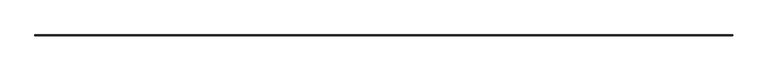
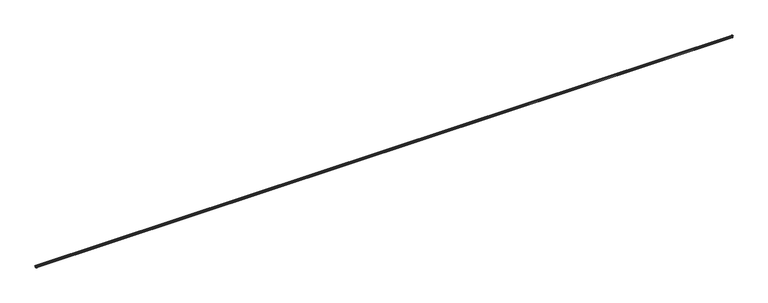
"""IFC4 building model written with IfcOpenShell, lengths in millimetres: railing geometry."""

from ifc_helpers import new_model, si_unit, frame, origin, place, context, project, spatial, polyline, circle_curve, ellipse_curve, source, transform, mapped, element, save
from ifc_brep_helpers import plane_surface, cylinder_surface, revolved_surface, advanced_brep


def railing_ba207492(model_context):
    return source(origin(), model_context, "Body", "AdvancedBrep", [
        advanced_brep(
        [(-23678.2517722, 74123.4584582, 685.5349128), (-23674.7019211, 74127.0083093, 685.5349128), (-42000.365335, 74127.0083093, 685.5349128), (-41996.815484, 74123.4584582, 685.5349128), (-23693.5336281, 74108.1766023, 710.1808702), (-23693.5336281, 74108.1766023, 711.1768476), (-41981.5336281, 74108.1766023, 711.1768476), (-41981.5336281, 74108.1766023, 710.1808702), (-23676.2603438, 74125.4498866, 670.2672725), (-41998.8069124, 74125.4498866, 670.2672725), (-23682.7265251, 74118.9837053, 654.1230643), (-23692.3914699, 74109.3187605, 654.1230643), (-41982.6757863, 74109.3187605, 654.1230643), (-41992.3407311, 74118.9837053, 654.1230643), (-23692.3914699, 74109.3187605, 655.1152518), (-41982.6757863, 74109.3187605, 655.1152518), (-23674.9748972, 74107.3828523, 708.5571916), (-23669.9443738, 74107.3828523, 701.3204656), (-23671.5568534, 74107.3828523, 700.888403), (-23672.9113269, 74107.3828523, 699.1232188), (-23672.9113269, 74107.3828523, 697.6085744), (-23679.2439597, 74107.3828523, 694.3480822), (-23679.2439597, 74107.3828523, 684.5427253), (-23676.7548142, 74107.3828523, 684.5427253), (-23677.1147743, 74107.3828523, 669.7627573), (-23682.8734847, 74107.3828523, 655.1152518), (-23692.3914699, 74107.3828523, 655.1152518), (-23692.3914699, 74107.3828523, 654.1230643), (-23682.7265251, 74107.3828523, 654.1230643), (-23676.2603438, 74107.3828523, 670.2672725), (-23674.7019211, 74107.3828523, 685.5349128), (-23678.2517722, 74107.3828523, 685.5349128), (-23678.2517722, 74107.3828523, 693.4458616), (-23671.9191394, 74107.3828523, 697.2774543), (-23671.9191394, 74107.3828523, 699.1232188), (-23671.3000564, 74107.3828523, 699.9300235), (-23669.16696, 74107.3828523, 700.5015849), (-23674.8884223, 74107.3828523, 709.5456035), (-23693.5336281, 74107.3828523, 711.1768476), (-23693.5336281, 74107.3828523, 710.1808702), (-42000.092359, 74107.3828523, 708.5571916), (-41981.5336281, 74107.3828523, 710.1808702), (-41981.5336281, 74107.3828523, 711.1768476), (-42000.1788338, 74107.3828523, 709.5456035), (-42005.9002961, 74107.3828523, 700.5015849), (-42003.7671998, 74107.3828523, 699.9300235), (-42003.1481168, 74107.3828523, 699.1232188), (-42003.1481168, 74107.3828523, 697.2774543), (-41996.815484, 74107.3828523, 693.4458616), (-41996.815484, 74107.3828523, 685.5349128), (-42000.365335, 74107.3828523, 685.5349128), (-41998.8069124, 74107.3828523, 670.2672725), (-41992.3407311, 74107.3828523, 654.1230643), (-41982.6757863, 74107.3828523, 654.1230643), (-41982.6757863, 74107.3828523, 655.1152518), (-41992.1937715, 74107.3828523, 655.1152518), (-41997.9524819, 74107.3828523, 669.7627573), (-41998.3124419, 74107.3828523, 684.5427253), (-41995.8232965, 74107.3828523, 684.5427253), (-41995.8232965, 74107.3828523, 694.3480822), (-42002.1559293, 74107.3828523, 697.6085744), (-42002.1559293, 74107.3828523, 699.1232188), (-42003.5104028, 74107.3828523, 700.888403), (-42005.1228823, 74107.3828523, 701.3204656), (-23669.9443738, 74131.7658565, 701.3204656), (-23674.9748972, 74126.7353332, 708.5571916), (-42000.092359, 74126.7353332, 708.5571916), (-42005.1228823, 74131.7658565, 701.3204656), (-23671.5568534, 74130.153377, 700.888403), (-42003.5104028, 74130.153377, 700.888403), (-23672.9113269, 74128.7989035, 699.1232188), (-42002.1559293, 74128.7989035, 699.1232188), (-23672.9113269, 74128.7989035, 697.6085744), (-42002.1559293, 74128.7989035, 697.6085744), (-23679.2439597, 74122.4662707, 694.3480822), (-41995.8232965, 74122.4662707, 694.3480822), (-23679.2439597, 74122.4662707, 684.5427253), (-41995.8232965, 74122.4662707, 684.5427253), (-23676.7548142, 74124.9554162, 684.5427253), (-41998.3124419, 74124.9554162, 684.5427253), (-23677.1147743, 74124.5954561, 669.7627573), (-41997.9524819, 74124.5954561, 669.7627573), (-23682.8734847, 74118.8367457, 655.1152518), (-41992.1937715, 74118.8367457, 655.1152518), (-23674.8884223, 74126.8218081, 709.5456035), (-42000.1788338, 74126.8218081, 709.5456035), (-23669.16696, 74132.5432704, 700.5015849), (-42005.9002961, 74132.5432704, 700.5015849), (-23671.3000564, 74130.410174, 699.9300235), (-42003.7671998, 74130.410174, 699.9300235), (-23671.9191394, 74129.791091, 699.1232188), (-42003.1481168, 74129.791091, 699.1232188), (-23671.9191394, 74129.791091, 697.2774543), (-42003.1481168, 74129.791091, 697.2774543), (-23678.2517722, 74123.4584582, 693.4458616), (-41996.815484, 74123.4584582, 693.4458616)],
        [
            (0, 1),
            (1, 2),
            (2, 3),
            (3, 0),
            (4, 5),
            (5, 6),
            (6, 7),
            (7, 4),
            (1, 8, ellipse_curve(frame((-23665.3966645, 74136.3135659, 676.8717349), z_axis=(0.7071067811865461, -0.7071067811865488, 0.0), x_axis=(-0.7071067811865489, -0.707106781186546, 0.0)), 17.9799028, 12.7137112)),
            (8, 9),
            (9, 2, ellipse_curve(frame((-42009.6705916, 74136.3135659, 676.8717349), z_axis=(-0.7071067811865488, -0.7071067811865461, 0.0), x_axis=(-0.7071067811865462, 0.7071067811865487, 0.0)), 17.9799028, 12.7137112)),
            (10, 11),
            (11, 12),
            (12, 13),
            (13, 10),
            (11, 14),
            (14, 15),
            (15, 12),
            (8, 10, ellipse_curve(frame((-23685.8658565, 74115.8443739, 664.7474915), z_axis=(-0.7071067811865461, 0.7071067811865488, 0.0), x_axis=(0.7071067811865489, 0.707106781186546, 0.0)), 15.6674092, 11.0785313)),
            (13, 9, ellipse_curve(frame((-41989.2013997, 74115.8443739, 664.7474915), z_axis=(0.7071067811865488, 0.7071067811865461, 0.0), x_axis=(0.7071067811865462, -0.7071067811865487, 0.0)), 15.6674092, 11.0785313)),
            (16, 17, circle_curve(frame((-23675.4748375, 74107.3828523, 702.842847), z_axis=(0.0, 1.0, 0.0), x_axis=(0.08715574274768606, 0.0, 0.9961946980917431)), 5.7361724)),
            (17, 18),
            (18, 19, circle_curve(frame((-23671.0838737, 74107.3828523, 699.1232188), z_axis=(0.0, -1.0, 0.0), x_axis=(-0.2588190451028625, 0.0, 0.9659258262889768)), 1.8274532)),
            (19, 20),
            (20, 21, circle_curve(frame((-23679.6119884, 74107.3828523, 702.842847), z_axis=(0.0, 1.0, 0.0), x_axis=(0.7880597014924041, 0.0, -0.6155988197549626)), 8.5027334)),
            (21, 22),
            (22, 23),
            (23, 24, circle_curve(frame((-23665.3966645, 74107.3828523, 676.8717349), z_axis=(0.0, -1.0, 0.0), x_axis=(-0.8287052149767611, 0.0, 0.5596853282607294)), 13.7058987)),
            (24, 25, circle_curve(frame((-23685.8658565, 74107.3828523, 664.7474915), z_axis=(0.0, 1.0, 0.0), x_axis=(0.8676168883013119, 0.0, 0.49723328039698717)), 10.0863438)),
            (25, 26),
            (26, 27),
            (27, 28),
            (28, 29, circle_curve(frame((-23685.8658565, 74107.3828523, 664.7474915), z_axis=(0.0, -1.0, 0.0), x_axis=(0.8676168883013119, 0.0, 0.49723328039698717)), 11.0785313)),
            (29, 30, circle_curve(frame((-23665.3966645, 74107.3828523, 676.8717349), z_axis=(0.0, 1.0, 0.0), x_axis=(-0.8287052149767611, 0.0, 0.5596853282607294)), 12.7137112)),
            (30, 31),
            (31, 32),
            (32, 33, circle_curve(frame((-23679.6119884, 74107.3828523, 702.842847), z_axis=(0.0, -1.0, 0.0), x_axis=(0.7880597014924041, 0.0, -0.6155988197549626)), 9.4949209)),
            (33, 34),
            (34, 35, circle_curve(frame((-23671.0838737, 74107.3828523, 699.1232188), z_axis=(0.0, 1.0, 0.0), x_axis=(-0.2588190451028625, 0.0, 0.9659258262889768)), 0.8352657)),
            (35, 36),
            (36, 37, circle_curve(frame((-23675.4748375, 74107.3828523, 702.842847), z_axis=(0.0, -1.0, 0.0), x_axis=(0.08715574274768606, 0.0, 0.9961946980917431)), 6.7283599)),
            (37, 38),
            (38, 39),
            (39, 16),
            (40, 41),
            (41, 42),
            (42, 43),
            (43, 44, circle_curve(frame((-41999.5924186, 74107.3828523, 702.842847), z_axis=(0.0, -1.0, 0.0), x_axis=(-0.08715574274768606, 0.0, 0.9961946980917431)), 6.7283599)),
            (44, 45),
            (45, 46, circle_curve(frame((-42003.9833825, 74107.3828523, 699.1232188), z_axis=(0.0, 1.0, 0.0), x_axis=(0.2588190451028625, 0.0, 0.9659258262889768)), 0.8352657)),
            (46, 47),
            (47, 48, circle_curve(frame((-41995.4552677, 74107.3828523, 702.842847), z_axis=(0.0, -1.0, 0.0), x_axis=(-0.7880597014924041, 0.0, -0.6155988197549626)), 9.4949209)),
            (48, 49),
            (49, 50),
            (50, 51, circle_curve(frame((-42009.6705916, 74107.3828523, 676.8717349), z_axis=(0.0, 1.0, 0.0), x_axis=(0.8287052149767611, 0.0, 0.5596853282607294)), 12.7137112)),
            (51, 52, circle_curve(frame((-41989.2013997, 74107.3828523, 664.7474915), z_axis=(0.0, -1.0, 0.0), x_axis=(-0.8676168883013119, 0.0, 0.49723328039698717)), 11.0785313)),
            (52, 53),
            (53, 54),
            (54, 55),
            (55, 56, circle_curve(frame((-41989.2013997, 74107.3828523, 664.7474915), z_axis=(0.0, 1.0, 0.0), x_axis=(-0.8676168883013119, 0.0, 0.49723328039698717)), 10.0863438)),
            (56, 57, circle_curve(frame((-42009.6705916, 74107.3828523, 676.8717349), z_axis=(0.0, -1.0, 0.0), x_axis=(0.8287052149767611, 0.0, 0.5596853282607294)), 13.7058987)),
            (57, 58),
            (58, 59),
            (59, 60, circle_curve(frame((-41995.4552677, 74107.3828523, 702.842847), z_axis=(0.0, 1.0, 0.0), x_axis=(-0.7880597014924041, 0.0, -0.6155988197549626)), 8.5027334)),
            (60, 61),
            (61, 62, circle_curve(frame((-42003.9833825, 74107.3828523, 699.1232188), z_axis=(0.0, -1.0, 0.0), x_axis=(0.2588190451028625, 0.0, 0.9659258262889768)), 1.8274532)),
            (62, 63),
            (63, 40, circle_curve(frame((-41999.5924186, 74107.3828523, 702.842847), z_axis=(0.0, 1.0, 0.0), x_axis=(-0.08715574274768606, 0.0, 0.9961946980917431)), 5.7361724)),
            (64, 65, ellipse_curve(frame((-23675.4748375, 74126.2353929, 702.842847), z_axis=(0.7071067811865461, -0.7071067811865488, 0.0), x_axis=(-0.7071067811865489, -0.707106781186546, 0.0)), 8.1121728, 5.7361724)),
            (65, 66),
            (66, 67, ellipse_curve(frame((-41999.5924186, 74126.2353929, 702.842847), z_axis=(-0.7071067811865488, -0.7071067811865461, 0.0), x_axis=(-0.7071067811865462, 0.7071067811865487, 0.0)), 8.1121728, 5.7361724)),
            (67, 64),
            (68, 64),
            (67, 69),
            (69, 68),
            (70, 68, ellipse_curve(frame((-23671.0838737, 74130.6263567, 699.1232188), z_axis=(-0.7071067811865461, 0.7071067811865488, 0.0), x_axis=(0.7071067811865489, 0.707106781186546, 0.0)), 2.584409, 1.8274532)),
            (69, 71, ellipse_curve(frame((-42003.9833825, 74130.6263567, 699.1232188), z_axis=(0.7071067811865488, 0.7071067811865461, 0.0), x_axis=(0.7071067811865462, -0.7071067811865487, 0.0)), 2.584409, 1.8274532)),
            (71, 70),
            (72, 70),
            (71, 73),
            (73, 72),
            (74, 72, ellipse_curve(frame((-23679.6119884, 74122.098242, 702.842847), z_axis=(0.7071067811865461, -0.7071067811865488, 0.0), x_axis=(-0.7071067811865489, -0.707106781186546, 0.0)), 12.0246809, 8.5027334)),
            (73, 75, ellipse_curve(frame((-41995.4552677, 74122.098242, 702.842847), z_axis=(-0.7071067811865488, -0.7071067811865461, 0.0), x_axis=(-0.7071067811865462, 0.7071067811865487, 0.0)), 12.0246809, 8.5027334)),
            (75, 74),
            (76, 74),
            (75, 77),
            (77, 76),
            (78, 76),
            (77, 79),
            (79, 78),
            (80, 78, ellipse_curve(frame((-23665.3966645, 74136.3135659, 676.8717349), z_axis=(-0.7071067811865461, 0.7071067811865488, 0.0), x_axis=(0.7071067811865489, 0.707106781186546, 0.0)), 19.3830678, 13.7058987)),
            (79, 81, ellipse_curve(frame((-42009.6705916, 74136.3135659, 676.8717349), z_axis=(0.7071067811865488, 0.7071067811865461, 0.0), x_axis=(0.7071067811865462, -0.7071067811865487, 0.0)), 19.3830678, 13.7058987)),
            (81, 80),
            (82, 80, ellipse_curve(frame((-23685.8658565, 74115.8443739, 664.7474915), z_axis=(0.7071067811865461, -0.7071067811865488, 0.0), x_axis=(-0.7071067811865489, -0.707106781186546, 0.0)), 14.2642442, 10.0863438)),
            (81, 83, ellipse_curve(frame((-41989.2013997, 74115.8443739, 664.7474915), z_axis=(-0.7071067811865488, -0.7071067811865461, 0.0), x_axis=(-0.7071067811865462, 0.7071067811865487, 0.0)), 14.2642442, 10.0863438)),
            (83, 82),
            (14, 82),
            (83, 15),
            (5, 84),
            (84, 85),
            (85, 6),
            (84, 86, ellipse_curve(frame((-23675.4748375, 74126.2353929, 702.842847), z_axis=(-0.7071067811865461, 0.7071067811865488, 0.0), x_axis=(0.7071067811865489, 0.707106781186546, 0.0)), 9.5153378, 6.7283599)),
            (86, 87),
            (87, 85, ellipse_curve(frame((-41999.5924186, 74126.2353929, 702.842847), z_axis=(0.7071067811865488, 0.7071067811865461, 0.0), x_axis=(0.7071067811865462, -0.7071067811865487, 0.0)), 9.5153378, 6.7283599)),
            (86, 88),
            (88, 89),
            (89, 87),
            (88, 90, ellipse_curve(frame((-23671.0838737, 74130.6263567, 699.1232188), z_axis=(0.7071067811865461, -0.7071067811865488, 0.0), x_axis=(-0.7071067811865489, -0.707106781186546, 0.0)), 1.181244, 0.8352657)),
            (90, 91),
            (91, 89, ellipse_curve(frame((-42003.9833825, 74130.6263567, 699.1232188), z_axis=(-0.7071067811865488, -0.7071067811865461, 0.0), x_axis=(-0.7071067811865462, 0.7071067811865487, 0.0)), 1.181244, 0.8352657)),
            (90, 92),
            (92, 93),
            (93, 91),
            (92, 94, ellipse_curve(frame((-23679.6119884, 74122.098242, 702.842847), z_axis=(-0.7071067811865461, 0.7071067811865488, 0.0), x_axis=(0.7071067811865489, 0.707106781186546, 0.0)), 13.427846, 9.4949209)),
            (94, 95),
            (95, 93, ellipse_curve(frame((-41995.4552677, 74122.098242, 702.842847), z_axis=(0.7071067811865488, 0.7071067811865461, 0.0), x_axis=(0.7071067811865462, -0.7071067811865487, 0.0)), 13.427846, 9.4949209)),
            (94, 0),
            (3, 95),
            (65, 4),
            (7, 66),
            (39, 4),
            (65, 16),
            (25, 82),
            (14, 26),
            (24, 80),
            (23, 78),
            (22, 76),
            (21, 74),
            (20, 72),
            (19, 70),
            (18, 68),
            (17, 64),
            (7, 41),
            (40, 66),
            (83, 55),
            (54, 15),
            (81, 56),
            (79, 57),
            (77, 58),
            (75, 59),
            (73, 60),
            (71, 61),
            (69, 62),
            (67, 63),
            (35, 88),
            (86, 36),
            (84, 37),
            (5, 38),
            (34, 90),
            (89, 45),
            (44, 87),
            (43, 85),
            (42, 6),
            (91, 46),
            (29, 8),
            (1, 30),
            (0, 31),
            (94, 32),
            (92, 33),
            (28, 10),
            (9, 51),
            (50, 2),
            (49, 3),
            (48, 95),
            (47, 93),
            (13, 52),
            (27, 11),
            (12, 53),
        ],
        [
            plane_surface(frame((-23674.7019211, 74127.0083093, 685.5349128), z_axis=(0.0, 0.0, 1.0), x_axis=(-1.0, 0.0, 0.0))),
            plane_surface(frame((-23693.5336281, 74108.1766023, 711.1768476), z_axis=(0.0, -1.0, 0.0), x_axis=(-1.0, 0.0, 0.0))),
            revolved_surface(polyline([(-42022.38430279496, 74125.77764712684, 683.9874125263841), (-23652.682953305044, 74125.77764712684, 683.9874125263841)]), (-23693.5336281, 74136.3135659, 676.8717349), (-1.0000000000000002, 0.0, 0.0)),
            plane_surface(frame((-23692.3914699, 74109.3187605, 654.1230643), z_axis=(0.0, 0.0, -1.0), x_axis=(-1.0, 0.0, 0.0))),
            plane_surface(frame((-23692.3914699, 74109.3187605, 655.1152518), z_axis=(0.0, -1.0, 0.0), x_axis=(-1.0, 0.0, 0.0))),
            cylinder_surface(frame((-23693.5336281, 74115.8443739, 664.7474915), z_axis=(1.0, 0.0, 0.0), x_axis=(0.0, 0.8676168883013119, 0.49723328039698717)), 11.0785313),
            plane_surface(frame((-23693.5336281, 74107.3828523, 711.2), z_axis=(0.0, -1.0, 0.0), x_axis=(0.0, 0.0, 1.0))),
            plane_surface(frame((-41981.5336281, 74107.3828523, 711.2), z_axis=(0.0, -1.0, 0.0), x_axis=(0.0, 0.0, -1.0))),
            revolved_surface(polyline([(-42005.32859099703, 74126.73533326604, 708.5571915322201), (-23669.738665102966, 74126.73533326604, 708.5571915322201)]), (-23693.5336281, 74126.2353929, 702.842847), (-1.0, 0.0, 0.0)),
            plane_surface(frame((-23669.9443738, 74131.7658565, 701.3204656), z_axis=(0.0, -0.25881904510280146, 0.965925826288993), x_axis=(-1.0, 0.0, 0.0))),
            cylinder_surface(frame((-23693.5336281, 74130.6263567, 699.1232188), z_axis=(1.0000000000000002, 0.0, 0.0), x_axis=(0.0, -0.2588190451028625, 0.9659258262889768)), 1.8274532),
            plane_surface(frame((-23672.9113269, 74128.7989035, 699.1232188), z_axis=(0.0, -1.0, 0.0), x_axis=(-1.0, 0.0, 0.0))),
            revolved_surface(polyline([(-42003.958001106, 74128.79890354506, 697.6085743542689), (-23671.109254994004, 74128.79890354506, 697.6085743542689)]), (-23693.5336281, 74122.098242, 702.842847), (-1.0, 0.0, 0.0)),
            plane_surface(frame((-23679.2439597, 74122.4662707, 694.3480822), z_axis=(0.0, -1.0, 0.0), x_axis=(-1.0, 0.0, 0.0))),
            plane_surface(frame((-23679.2439597, 74122.4662707, 684.5427253), z_axis=(0.0, 0.0, -1.0), x_axis=(-1.0, 0.0, 0.0))),
            cylinder_surface(frame((-23693.5336281, 74136.3135659, 676.8717349), z_axis=(1.0000000000000002, 0.0, 0.0), x_axis=(0.0, -0.8287052149767611, 0.5596853282607294)), 13.7058987),
            revolved_surface(polyline([(-41999.287743502326, 74124.5954561221, 669.7627573148858), (-23675.779512697678, 74124.5954561221, 669.7627573148858)]), (-23693.5336281, 74115.8443739, 664.7474915), (-1.0, 0.0, 0.0)),
            plane_surface(frame((-23682.8734847, 74118.8367457, 655.1152518), z_axis=(0.0, 0.0, 1.0), x_axis=(-1.0, 0.0, 0.0))),
            plane_surface(frame((-23674.8884223, 74126.8218081, 709.5456035), z_axis=(0.0, 0.08715574274767642, 0.996194698091744), x_axis=(-1.0, 0.0, 0.0))),
            cylinder_surface(frame((-23693.5336281, 74126.2353929, 702.842847), z_axis=(1.0, 0.0, 0.0), x_axis=(0.0, 0.08715574274768606, 0.9961946980917431)), 6.7283599),
            plane_surface(frame((-23671.3000564, 74130.410174, 699.9300235), z_axis=(0.0, 0.25881904510280174, -0.965925826288993), x_axis=(-1.0, 0.0, 0.0))),
            revolved_surface(polyline([(-42004.818648142646, 74130.41017402912, 699.9300235114433), (-23670.248608057365, 74130.41017402912, 699.9300235114433)]), (-23693.5336281, 74130.6263567, 699.1232188), (-1.0000000000000002, 0.0, 0.0)),
            plane_surface(frame((-23671.9191394, 74129.791091, 697.2774543), z_axis=(0.0, 1.0, 0.0), x_axis=(-1.0, 0.0, 0.0))),
            cylinder_surface(frame((-23693.5336281, 74122.098242, 702.842847), z_axis=(1.0, 0.0, 0.0), x_axis=(0.0, 0.7880597014924041, -0.6155988197549626)), 9.4949209),
            plane_surface(frame((-23678.2517722, 74123.4584582, 685.5349128), z_axis=(0.0, 1.0, 0.0), x_axis=(-1.0, 0.0, 0.0))),
            plane_surface(frame((-23693.5336281, 74108.1766023, 710.1808702), z_axis=(0.0, -0.0871557427476764, -0.996194698091744), x_axis=(-1.0, 0.0, 0.0))),
            plane_surface(frame((-23693.5336281, 74107.3828523, 710.1808702), z_axis=(-0.0871557427476764, 0.0, -0.996194698091744), x_axis=(0.0, 1.0, 0.0))),
            plane_surface(frame((-23682.8734847, 74107.3828523, 655.1152518), z_axis=(0.0, 0.0, 1.0), x_axis=(0.0, 1.0, 0.0))),
            revolved_surface(polyline([(-23677.114774277907, 74125.93071770233, 669.7627573148858), (-23677.114774277907, 74105.75803009768, 669.7627573148858)]), (-23685.8658565, 74107.3828523, 664.7474915), (0.0, 1.0, 0.0)),
            cylinder_surface(frame((-23665.3966645, 74107.3828523, 676.8717349), z_axis=(0.0, -1.0000000000000002, 0.0), x_axis=(-0.8287052149767611, 0.0, 0.5596853282607294)), 13.7058987),
            plane_surface(frame((-23679.2439597, 74107.3828523, 684.5427253), z_axis=(0.0, 0.0, -1.0), x_axis=(0.0, 1.0, 0.0))),
            plane_surface(frame((-23679.2439597, 74107.3828523, 694.3480822), z_axis=(-1.0, 0.0, 0.0), x_axis=(0.0, 1.0, 0.0))),
            revolved_surface(polyline([(-23672.911326854926, 74130.60097540599, 697.6085743542689), (-23672.911326854926, 74107.3828523, 697.6085743542689)]), (-23679.6119884, 74107.3828523, 702.842847), (0.0, 1.0, 0.0)),
            plane_surface(frame((-23672.9113269, 74107.3828523, 699.1232188), z_axis=(-1.0, 0.0, 0.0), x_axis=(0.0, 1.0, 0.0))),
            cylinder_surface(frame((-23671.0838737, 74107.3828523, 699.1232188), z_axis=(0.0, -1.0000000000000002, 0.0), x_axis=(-0.2588190451028625, 0.0, 0.9659258262889768)), 1.8274532),
            plane_surface(frame((-23669.9443738, 74107.3828523, 701.3204656), z_axis=(-0.25881904510280146, 0.0, 0.965925826288993), x_axis=(0.0, 1.0, 0.0))),
            revolved_surface(polyline([(-23674.97489713395, 74131.97156529703, 708.5571915322201), (-23674.97489713395, 74107.3828523, 708.5571915322201)]), (-23675.4748375, 74107.3828523, 702.842847), (0.0, 1.0, 0.0)),
            plane_surface(frame((-41981.5336281, 74108.1766023, 710.1808702), z_axis=(0.0871557427476764, 0.0, -0.996194698091744), x_axis=(0.0, -1.0, 0.0))),
            plane_surface(frame((-41992.1937715, 74118.8367457, 655.1152518), z_axis=(0.0, 0.0, 1.0), x_axis=(0.0, -1.0, 0.0))),
            revolved_surface(polyline([(-41997.9524819221, 74105.75803009768, 669.7627573148858), (-41997.9524819221, 74125.93071770233, 669.7627573148858)]), (-41989.2013997, 74108.1766023, 664.7474915), (0.0, -1.0, 0.0)),
            cylinder_surface(frame((-42009.6705916, 74108.1766023, 676.8717349), z_axis=(0.0, 1.0000000000000002, 0.0), x_axis=(0.8287052149767611, 0.0, 0.5596853282607294)), 13.7058987),
            plane_surface(frame((-41995.8232965, 74122.4662707, 684.5427253), z_axis=(0.0, 0.0, -1.0), x_axis=(0.0, -1.0, 0.0))),
            plane_surface(frame((-41995.8232965, 74122.4662707, 694.3480822), z_axis=(1.0, 0.0, 0.0), x_axis=(0.0, -1.0, 0.0))),
            revolved_surface(polyline([(-42002.15592924508, 74107.3828523, 697.6085743542689), (-42002.15592924508, 74130.60097540599, 697.6085743542689)]), (-41995.4552677, 74108.1766023, 702.842847), (0.0, -1.0, 0.0)),
            plane_surface(frame((-42002.1559293, 74128.7989035, 699.1232188), z_axis=(1.0, 0.0, 0.0), x_axis=(0.0, -1.0, 0.0))),
            cylinder_surface(frame((-42003.9833825, 74108.1766023, 699.1232188), z_axis=(0.0, 1.0000000000000002, 0.0), x_axis=(0.2588190451028625, 0.0, 0.9659258262889768)), 1.8274532),
            plane_surface(frame((-42005.1228823, 74131.7658565, 701.3204656), z_axis=(0.25881904510280146, 0.0, 0.965925826288993), x_axis=(0.0, -1.0, 0.0))),
            revolved_surface(polyline([(-42000.092358966045, 74107.3828523, 708.5571915322201), (-42000.092358966045, 74131.97156529703, 708.5571915322201)]), (-41999.5924186, 74108.1766023, 702.842847), (0.0, -1.0, 0.0)),
            plane_surface(frame((-23671.3000564, 74107.3828523, 699.9300235), z_axis=(0.25881904510280174, 0.0, -0.965925826288993), x_axis=(0.0, 1.0, 0.0))),
            cylinder_surface(frame((-23675.4748375, 74107.3828523, 702.842847), z_axis=(0.0, -1.0, 0.0), x_axis=(0.08715574274768606, 0.0, 0.9961946980917431)), 6.7283599),
            plane_surface(frame((-23674.8884223, 74107.3828523, 709.5456035), z_axis=(0.08715574274767642, 0.0, 0.996194698091744), x_axis=(0.0, 1.0, 0.0))),
            revolved_surface(polyline([(-23671.30005637088, 74131.46162234264, 699.9300235114433), (-23671.30005637088, 74107.3828523, 699.9300235114433)]), (-23671.0838737, 74107.3828523, 699.1232188), (0.0, 1.0000000000000002, 0.0)),
            plane_surface(frame((-42003.7671998, 74130.410174, 699.9300235), z_axis=(-0.25881904510280174, 0.0, -0.965925826288993), x_axis=(0.0, -1.0, 0.0))),
            cylinder_surface(frame((-41999.5924186, 74108.1766023, 702.842847), z_axis=(0.0, 1.0, 0.0), x_axis=(-0.08715574274768606, 0.0, 0.9961946980917431)), 6.7283599),
            plane_surface(frame((-42000.1788338, 74126.8218081, 709.5456035), z_axis=(-0.08715574274767642, 0.0, 0.996194698091744), x_axis=(0.0, -1.0, 0.0))),
            revolved_surface(polyline([(-42003.76719982912, 74107.3828523, 699.9300235114433), (-42003.76719982912, 74131.46162234264, 699.9300235114433)]), (-42003.9833825, 74108.1766023, 699.1232188), (0.0, -1.0000000000000002, 0.0)),
            revolved_surface(polyline([(-23675.93258327315, 74149.02727709495, 683.9874125263841), (-23675.93258327315, 74107.3828523, 683.9874125263841)]), (-23665.3966645, 74107.3828523, 676.8717349), (0.0, 1.0000000000000002, 0.0)),
            plane_surface(frame((-23674.7019211, 74107.3828523, 685.5349128), z_axis=(0.0, 0.0, 1.0), x_axis=(0.0, 1.0, 0.0))),
            plane_surface(frame((-23678.2517722, 74107.3828523, 685.5349128), z_axis=(1.0, 0.0, 0.0), x_axis=(0.0, 1.0, 0.0))),
            cylinder_surface(frame((-23679.6119884, 74107.3828523, 702.842847), z_axis=(0.0, -1.0, 0.0), x_axis=(0.7880597014924041, 0.0, -0.6155988197549626)), 9.4949209),
            plane_surface(frame((-23671.9191394, 74107.3828523, 697.2774543), z_axis=(1.0, 0.0, 0.0), x_axis=(0.0, 1.0, 0.0))),
            cylinder_surface(frame((-23685.8658565, 74107.3828523, 664.7474915), z_axis=(0.0, -1.0, 0.0), x_axis=(0.8676168883013119, 0.0, 0.49723328039698717)), 11.0785313),
            revolved_surface(polyline([(-41999.13467282685, 74107.3828523, 683.9874125263841), (-41999.13467282685, 74149.02727709495, 683.9874125263841)]), (-42009.6705916, 74108.1766023, 676.8717349), (0.0, -1.0000000000000002, 0.0)),
            plane_surface(frame((-42000.365335, 74127.0083093, 685.5349128), z_axis=(0.0, 0.0, 1.0), x_axis=(0.0, -1.0, 0.0))),
            plane_surface(frame((-41996.815484, 74123.4584582, 685.5349128), z_axis=(-1.0, 0.0, 0.0), x_axis=(0.0, -1.0, 0.0))),
            cylinder_surface(frame((-41995.4552677, 74108.1766023, 702.842847), z_axis=(0.0, 1.0, 0.0), x_axis=(-0.7880597014924041, 0.0, -0.6155988197549626)), 9.4949209),
            plane_surface(frame((-42003.1481168, 74129.791091, 697.2774543), z_axis=(-1.0, 0.0, 0.0), x_axis=(0.0, -1.0, 0.0))),
            cylinder_surface(frame((-41989.2013997, 74108.1766023, 664.7474915), z_axis=(0.0, 1.0, 0.0), x_axis=(-0.8676168883013119, 0.0, 0.49723328039698717)), 11.0785313),
            plane_surface(frame((-23692.3914699, 74107.3828523, 654.1230643), z_axis=(0.0, 0.0, -1.0), x_axis=(0.0, 1.0, 0.0))),
            plane_surface(frame((-41982.6757863, 74109.3187605, 654.1230643), z_axis=(0.0, 0.0, -1.0), x_axis=(0.0, -1.0, 0.0))),
            plane_surface(frame((-23692.3914699, 74107.3828523, 655.1152518), z_axis=(-1.0, 0.0, 0.0), x_axis=(0.0, 1.0, 0.0))),
            plane_surface(frame((-23693.5336281, 74107.3828523, 711.1768476), z_axis=(-1.0, 0.0, 0.0), x_axis=(0.0, 1.0, 0.0))),
            plane_surface(frame((-41982.6757863, 74109.3187605, 655.1152518), z_axis=(1.0, 0.0, 0.0), x_axis=(0.0, -1.0, 0.0))),
            plane_surface(frame((-41981.5336281, 74108.1766023, 711.1768476), z_axis=(1.0, 0.0, 0.0), x_axis=(0.0, -1.0, 0.0))),
        ],
        [
            (0, [[1, 2, 3, 4]]),
            (1, [[5, 6, 7, 8]]),
            (2, [[9, 10, 11, -2]]),
            (3, [[12, 13, 14, 15]]),
            (4, [[16, 17, 18, -13]]),
            (5, [[19, -15, 20, -10]]),
            (6, [[21, 22, 23, 24, 25, 26, 27, 28, 29, 30, 31, 32, 33, 34, 35, 36, 37, 38, 39, 40, 41, 42, 43, 44]]),
            (7, [[45, 46, 47, 48, 49, 50, 51, 52, 53, 54, 55, 56, 57, 58, 59, 60, 61, 62, 63, 64, 65, 66, 67, 68]]),
            (8, [[69, 70, 71, 72]]),
            (9, [[73, -72, 74, 75]]),
            (10, [[76, -75, 77, 78]]),
            (11, [[79, -78, 80, 81]]),
            (12, [[82, -81, 83, 84]]),
            (13, [[85, -84, 86, 87]]),
            (14, [[88, -87, 89, 90]]),
            (15, [[91, -90, 92, 93]]),
            (16, [[94, -93, 95, 96]]),
            (17, [[97, -96, 98, -17]]),
            (18, [[99, 100, 101, -6]]),
            (19, [[102, 103, 104, -100]]),
            (20, [[105, 106, 107, -103]]),
            (21, [[108, 109, 110, -106]]),
            (22, [[111, 112, 113, -109]]),
            (23, [[114, 115, 116, -112]]),
            (24, [[117, -4, 118, -115]]),
            (25, [[119, -8, 120, -70]]),
            (26, [[-44, 121, -119, 122]]),
            (27, [[-30, 123, -97, 124]]),
            (28, [[-29, 125, -94, -123]]),
            (29, [[-28, 126, -91, -125]]),
            (30, [[-27, 127, -88, -126]]),
            (31, [[-26, 128, -85, -127]]),
            (32, [[-25, 129, -82, -128]]),
            (33, [[-24, 130, -79, -129]]),
            (34, [[-23, 131, -76, -130]]),
            (35, [[-22, 132, -73, -131]]),
            (36, [[-21, -122, -69, -132]]),
            (37, [[-120, 133, -45, 134]]),
            (38, [[-98, 135, -59, 136]]),
            (39, [[-95, 137, -60, -135]]),
            (40, [[-92, 138, -61, -137]]),
            (41, [[-89, 139, -62, -138]]),
            (42, [[-86, 140, -63, -139]]),
            (43, [[-83, 141, -64, -140]]),
            (44, [[-80, 142, -65, -141]]),
            (45, [[-77, 143, -66, -142]]),
            (46, [[-74, 144, -67, -143]]),
            (47, [[-71, -134, -68, -144]]),
            (48, [[-40, 145, -105, 146]]),
            (49, [[-41, -146, -102, 147]]),
            (50, [[-42, -147, -99, 148]]),
            (51, [[-39, 149, -108, -145]]),
            (52, [[-107, 150, -49, 151]]),
            (53, [[-104, -151, -48, 152]]),
            (54, [[-101, -152, -47, 153]]),
            (55, [[-110, 154, -50, -150]]),
            (56, [[-34, 155, -9, 156]]),
            (57, [[-35, -156, -1, 157]]),
            (58, [[-36, -157, -117, 158]]),
            (59, [[-37, -158, -114, 159]]),
            (60, [[-38, -159, -111, -149]]),
            (61, [[-33, 160, -19, -155]]),
            (62, [[-11, 161, -55, 162]]),
            (63, [[-3, -162, -54, 163]]),
            (64, [[-118, -163, -53, 164]]),
            (65, [[-116, -164, -52, 165]]),
            (66, [[-113, -165, -51, -154]]),
            (67, [[-20, 166, -56, -161]]),
            (68, [[-32, 167, -12, -160]]),
            (69, [[-14, 168, -57, -166]]),
            (70, [[-31, -124, -16, -167]]),
            (71, [[-43, -148, -5, -121]]),
            (72, [[-18, -136, -58, -168]]),
            (73, [[-7, -153, -46, -133]]),
        ],
    ),
        advanced_brep(
        [(-23674.9748972, 74107.3828523, 708.5571916), (-23693.5336281, 74107.3828523, 710.1808702), (-23693.5336281, 74107.3828523, 684.551658), (-23689.5678009, 74107.3828523, 684.551658), (-23689.5678009, 74107.3828523, 680.7444639), (-23693.5336281, 74107.3828523, 680.7444639), (-23693.5336281, 74107.3828523, 661.4605752), (-23692.3914699, 74107.3828523, 661.4605752), (-23692.3914699, 74107.3828523, 655.1152518), (-23682.8734847, 74107.3828523, 655.1152518), (-23677.1147743, 74107.3828523, 669.7627573), (-23676.7548142, 74107.3828523, 684.5427253), (-23679.2439597, 74107.3828523, 684.5427253), (-23679.2439597, 74107.3828523, 694.3480822), (-23672.9113269, 74107.3828523, 697.6085744), (-23672.9113269, 74107.3828523, 699.1232188), (-23671.5568534, 74107.3828523, 700.888403), (-23669.9443738, 74107.3828523, 701.3204656), (-42000.092359, 74107.3828523, 708.5571916), (-42005.1228823, 74107.3828523, 701.3204656), (-42003.5104028, 74107.3828523, 700.888403), (-42002.1559293, 74107.3828523, 699.1232188), (-42002.1559293, 74107.3828523, 697.6085744), (-41995.8232965, 74107.3828523, 694.3480822), (-41995.8232965, 74107.3828523, 684.5427253), (-41998.3124419, 74107.3828523, 684.5427253), (-41997.9524819, 74107.3828523, 669.7627573), (-41992.1937715, 74107.3828523, 655.1152518), (-41982.6757863, 74107.3828523, 655.1152518), (-41982.6757863, 74107.3828523, 661.4605752), (-41981.5336281, 74107.3828523, 661.4605752), (-41981.5336281, 74107.3828523, 680.7444639), (-41985.4994552, 74107.3828523, 680.7444639), (-41985.4994552, 74107.3828523, 684.551658), (-41981.5336281, 74107.3828523, 684.551658), (-41981.5336281, 74107.3828523, 710.1808702), (-23693.5336281, 74108.1766023, 661.4605752), (-23692.3914699, 74109.3187605, 661.4605752), (-23693.5336281, 74108.1766023, 680.7444639), (-23689.5678009, 74112.1424295, 680.7444639), (-23689.5678009, 74112.1424295, 684.551658), (-23693.5336281, 74108.1766023, 684.551658), (-23693.5336281, 74108.1766023, 710.1808702), (-41981.5336281, 74108.1766023, 661.4605752), (-41982.6757863, 74109.3187605, 661.4605752), (-41981.5336281, 74108.1766023, 680.7444639), (-41985.4994552, 74112.1424295, 680.7444639), (-41985.4994552, 74112.1424295, 684.551658), (-41981.5336281, 74108.1766023, 684.551658), (-41981.5336281, 74108.1766023, 710.1808702), (-23674.9748972, 74126.7353332, 708.5571916), (-23692.3914699, 74109.3187605, 655.1152518), (-23682.8734847, 74118.8367457, 655.1152518), (-23677.1147743, 74124.5954561, 669.7627573), (-23676.7548142, 74124.9554162, 684.5427253), (-23679.2439597, 74122.4662707, 684.5427253), (-23679.2439597, 74122.4662707, 694.3480822), (-23672.9113269, 74128.7989035, 697.6085744), (-23672.9113269, 74128.7989035, 699.1232188), (-23671.5568534, 74130.153377, 700.888403), (-23669.9443738, 74131.7658565, 701.3204656), (-42000.092359, 74126.7353332, 708.5571916), (-41982.6757863, 74109.3187605, 655.1152518), (-41992.1937715, 74118.8367457, 655.1152518), (-41997.9524819, 74124.5954561, 669.7627573), (-41998.3124419, 74124.9554162, 684.5427253), (-41995.8232965, 74122.4662707, 684.5427253), (-41995.8232965, 74122.4662707, 694.3480822), (-42002.1559293, 74128.7989035, 697.6085744), (-42002.1559293, 74128.7989035, 699.1232188), (-42003.5104028, 74130.153377, 700.888403), (-42005.1228823, 74131.7658565, 701.3204656)],
        [
            (0, 1),
            (1, 2),
            (2, 3),
            (3, 4),
            (4, 5),
            (5, 6),
            (6, 7),
            (7, 8),
            (8, 9),
            (9, 10, circle_curve(frame((-23685.8658565, 74107.3828523, 664.7474915), z_axis=(0.0, -1.0, 0.0), x_axis=(0.8676168883013119, 0.0, 0.49723328039698717)), 10.0863438)),
            (10, 11, circle_curve(frame((-23665.3966645, 74107.3828523, 676.8717349), z_axis=(0.0, 1.0, 0.0), x_axis=(-0.8287052149767611, 0.0, 0.5596853282607294)), 13.7058987)),
            (11, 12),
            (12, 13),
            (13, 14, circle_curve(frame((-23679.6119884, 74107.3828523, 702.842847), z_axis=(0.0, -1.0, 0.0), x_axis=(0.7880597014924041, 0.0, -0.6155988197549626)), 8.5027334)),
            (14, 15),
            (15, 16, circle_curve(frame((-23671.0838737, 74107.3828523, 699.1232188), z_axis=(0.0, 1.0, 0.0), x_axis=(-0.2588190451028625, 0.0, 0.9659258262889768)), 1.8274532)),
            (16, 17),
            (17, 0, circle_curve(frame((-23675.4748375, 74107.3828523, 702.842847), z_axis=(0.0, -1.0, 0.0), x_axis=(0.08715574274768606, 0.0, 0.9961946980917431)), 5.7361724)),
            (18, 19, circle_curve(frame((-41999.5924186, 74107.3828523, 702.842847), z_axis=(0.0, -1.0, 0.0), x_axis=(-0.08715574274768606, 0.0, 0.9961946980917431)), 5.7361724)),
            (19, 20),
            (20, 21, circle_curve(frame((-42003.9833825, 74107.3828523, 699.1232188), z_axis=(0.0, 1.0, 0.0), x_axis=(0.2588190451028625, 0.0, 0.9659258262889768)), 1.8274532)),
            (21, 22),
            (22, 23, circle_curve(frame((-41995.4552677, 74107.3828523, 702.842847), z_axis=(0.0, -1.0, 0.0), x_axis=(-0.7880597014924041, 0.0, -0.6155988197549626)), 8.5027334)),
            (23, 24),
            (24, 25),
            (25, 26, circle_curve(frame((-42009.6705916, 74107.3828523, 676.8717349), z_axis=(0.0, 1.0, 0.0), x_axis=(0.8287052149767611, 0.0, 0.5596853282607294)), 13.7058987)),
            (26, 27, circle_curve(frame((-41989.2013997, 74107.3828523, 664.7474915), z_axis=(0.0, -1.0, 0.0), x_axis=(-0.8676168883013119, 0.0, 0.49723328039698717)), 10.0863438)),
            (27, 28),
            (28, 29),
            (29, 30),
            (30, 31),
            (31, 32),
            (32, 33),
            (33, 34),
            (34, 35),
            (35, 18),
            (6, 36),
            (36, 37),
            (37, 7),
            (5, 38),
            (38, 36),
            (4, 39),
            (39, 38),
            (3, 40),
            (40, 39),
            (2, 41),
            (41, 40),
            (1, 42),
            (42, 41),
            (36, 43),
            (43, 44),
            (44, 37),
            (38, 45),
            (45, 43),
            (39, 46),
            (46, 45),
            (40, 47),
            (47, 46),
            (41, 48),
            (48, 47),
            (42, 49),
            (49, 48),
            (43, 30),
            (29, 44),
            (45, 31),
            (46, 32),
            (47, 33),
            (48, 34),
            (49, 35),
            (0, 50),
            (50, 42),
            (37, 51),
            (51, 8),
            (51, 52),
            (52, 9),
            (52, 53, ellipse_curve(frame((-23685.8658565, 74115.8443739, 664.7474915), z_axis=(0.7071067811865461, -0.7071067811865488, 0.0), x_axis=(-0.7071067811865487, -0.7071067811865462, 0.0)), 14.2642442, 10.0863438)),
            (53, 10),
            (53, 54, ellipse_curve(frame((-23665.3966645, 74136.3135659, 676.8717349), z_axis=(-0.7071067811865461, 0.7071067811865488, 0.0), x_axis=(0.7071067811865487, 0.7071067811865462, 0.0)), 19.3830678, 13.7058987)),
            (54, 11),
            (54, 55),
            (55, 12),
            (55, 56),
            (56, 13),
            (56, 57, ellipse_curve(frame((-23679.6119884, 74122.098242, 702.842847), z_axis=(0.7071067811865461, -0.7071067811865488, 0.0), x_axis=(-0.7071067811865487, -0.7071067811865462, 0.0)), 12.0246809, 8.5027334)),
            (57, 14),
            (57, 58),
            (58, 15),
            (58, 59, ellipse_curve(frame((-23671.0838737, 74130.6263567, 699.1232188), z_axis=(-0.7071067811865461, 0.7071067811865488, 0.0), x_axis=(0.7071067811865487, 0.7071067811865462, 0.0)), 2.584409, 1.8274532)),
            (59, 16),
            (59, 60),
            (60, 17),
            (60, 50, ellipse_curve(frame((-23675.4748375, 74126.2353929, 702.842847), z_axis=(0.7071067811865461, -0.7071067811865488, 0.0), x_axis=(-0.7071067811865487, -0.7071067811865462, 0.0)), 8.1121728, 5.7361724)),
            (50, 61),
            (61, 49),
            (44, 62),
            (62, 51),
            (62, 63),
            (63, 52),
            (63, 64, ellipse_curve(frame((-41989.2013997, 74115.8443739, 664.7474915), z_axis=(0.7071067811865488, 0.7071067811865461, 0.0), x_axis=(0.7071067811865462, -0.7071067811865487, 0.0)), 14.2642442, 10.0863438)),
            (64, 53),
            (64, 65, ellipse_curve(frame((-42009.6705916, 74136.3135659, 676.8717349), z_axis=(-0.7071067811865488, -0.7071067811865461, 0.0), x_axis=(-0.7071067811865462, 0.7071067811865487, 0.0)), 19.3830678, 13.7058987)),
            (65, 54),
            (65, 66),
            (66, 55),
            (66, 67),
            (67, 56),
            (67, 68, ellipse_curve(frame((-41995.4552677, 74122.098242, 702.842847), z_axis=(0.7071067811865488, 0.7071067811865461, 0.0), x_axis=(0.7071067811865462, -0.7071067811865487, 0.0)), 12.0246809, 8.5027334)),
            (68, 57),
            (68, 69),
            (69, 58),
            (69, 70, ellipse_curve(frame((-42003.9833825, 74130.6263567, 699.1232188), z_axis=(-0.7071067811865488, -0.7071067811865461, 0.0), x_axis=(-0.7071067811865462, 0.7071067811865487, 0.0)), 2.584409, 1.8274532)),
            (70, 59),
            (70, 71),
            (71, 60),
            (71, 61, ellipse_curve(frame((-41999.5924186, 74126.2353929, 702.842847), z_axis=(0.7071067811865488, 0.7071067811865461, 0.0), x_axis=(0.7071067811865462, -0.7071067811865487, 0.0)), 8.1121728, 5.7361724)),
            (61, 18),
            (28, 62),
            (27, 63),
            (26, 64),
            (25, 65),
            (24, 66),
            (23, 67),
            (22, 68),
            (21, 69),
            (20, 70),
            (19, 71),
        ],
        [
            plane_surface(frame((-23693.5336281, 74107.3828523, 711.2), z_axis=(0.0, -1.0, 0.0), x_axis=(0.0, 0.0, 1.0))),
            plane_surface(frame((-41981.5336281, 74107.3828523, 711.2), z_axis=(0.0, -1.0, 0.0), x_axis=(0.0, 0.0, -1.0))),
            plane_surface(frame((-23693.5336281, 74107.3828523, 661.4605752), z_axis=(0.0, 0.0, -1.0), x_axis=(0.0, 1.0, 0.0))),
            plane_surface(frame((-23693.5336281, 74107.3828523, 680.7444639), z_axis=(-1.0, 0.0, 0.0), x_axis=(0.0, 1.0, 0.0))),
            plane_surface(frame((-23689.5678009, 74107.3828523, 680.7444639), z_axis=(0.0, 0.0, 1.0), x_axis=(0.0, 1.0, 0.0))),
            plane_surface(frame((-23689.5678009, 74107.3828523, 684.551658), z_axis=(-1.0, 0.0, 0.0), x_axis=(0.0, 1.0, 0.0))),
            plane_surface(frame((-23693.5336281, 74107.3828523, 684.551658), z_axis=(0.0, 0.0, -1.0), x_axis=(0.0, 1.0, 0.0))),
            plane_surface(frame((-23693.5336281, 74107.3828523, 710.1808702), z_axis=(-1.0, 0.0, 0.0), x_axis=(0.0, 1.0, 0.0))),
            plane_surface(frame((-23693.5336281, 74108.1766023, 661.4605752), z_axis=(0.0, 0.0, -1.0), x_axis=(-1.0, 0.0, 0.0))),
            plane_surface(frame((-23693.5336281, 74108.1766023, 680.7444639), z_axis=(0.0, -1.0, 0.0), x_axis=(-1.0, 0.0, 0.0))),
            plane_surface(frame((-23689.5678009, 74112.1424295, 680.7444639), z_axis=(0.0, 0.0, 1.0), x_axis=(-1.0, 0.0, 0.0))),
            plane_surface(frame((-23689.5678009, 74112.1424295, 684.551658), z_axis=(0.0, -1.0, 0.0), x_axis=(-1.0, 0.0, 0.0))),
            plane_surface(frame((-23693.5336281, 74108.1766023, 684.551658), z_axis=(0.0, 0.0, -1.0), x_axis=(-1.0, 0.0, 0.0))),
            plane_surface(frame((-23693.5336281, 74108.1766023, 710.1808702), z_axis=(0.0, -1.0, 0.0), x_axis=(-1.0, 0.0, 0.0))),
            plane_surface(frame((-41981.5336281, 74108.1766023, 661.4605752), z_axis=(0.0, 0.0, -1.0), x_axis=(0.0, -1.0, 0.0))),
            plane_surface(frame((-41981.5336281, 74108.1766023, 680.7444639), z_axis=(1.0, 0.0, 0.0), x_axis=(0.0, -1.0, 0.0))),
            plane_surface(frame((-41985.4994552, 74112.1424295, 680.7444639), z_axis=(0.0, 0.0, 1.0), x_axis=(0.0, -1.0, 0.0))),
            plane_surface(frame((-41985.4994552, 74112.1424295, 684.551658), z_axis=(1.0, 0.0, 0.0), x_axis=(0.0, -1.0, 0.0))),
            plane_surface(frame((-41981.5336281, 74108.1766023, 684.551658), z_axis=(0.0, 0.0, -1.0), x_axis=(0.0, -1.0, 0.0))),
            plane_surface(frame((-41981.5336281, 74108.1766023, 710.1808702), z_axis=(1.0, 0.0, 0.0), x_axis=(0.0, -1.0, 0.0))),
            plane_surface(frame((-23674.9748972, 74107.3828523, 708.5571916), z_axis=(0.0871557427476764, 0.0, 0.996194698091744), x_axis=(0.0, 1.0, 0.0))),
            plane_surface(frame((-23692.3914699, 74107.3828523, 661.4605752), z_axis=(-1.0, 0.0, 0.0), x_axis=(0.0, 1.0, 0.0))),
            plane_surface(frame((-23692.3914699, 74107.3828523, 655.1152518), z_axis=(0.0, 0.0, -1.0), x_axis=(0.0, 1.0, 0.0))),
            cylinder_surface(frame((-23685.8658565, 74107.3828523, 664.7474915), z_axis=(0.0, -1.0, 0.0), x_axis=(0.8676168883013119, 0.0, 0.49723328039698717)), 10.0863438),
            revolved_surface(polyline([(-23676.754814228632, 74150.01946458158, 684.5427253130177), (-23676.754814228632, 74107.3828523, 684.5427253130177)]), (-23665.3966645, 74107.3828523, 676.8717349), (0.0, 1.0000000000000002, 0.0)),
            plane_surface(frame((-23676.7548142, 74107.3828523, 684.5427253), z_axis=(0.0, 0.0, 1.0), x_axis=(0.0, 1.0, 0.0))),
            plane_surface(frame((-23679.2439597, 74107.3828523, 684.5427253), z_axis=(1.0, 0.0, 0.0), x_axis=(0.0, 1.0, 0.0))),
            cylinder_surface(frame((-23679.6119884, 74107.3828523, 702.842847), z_axis=(0.0, -1.0, 0.0), x_axis=(0.7880597014924041, 0.0, -0.6155988197549626)), 8.5027334),
            plane_surface(frame((-23672.9113269, 74107.3828523, 697.6085744), z_axis=(1.0, 0.0, 0.0), x_axis=(0.0, 1.0, 0.0))),
            revolved_surface(polyline([(-23671.556853392194, 74132.45380982925, 700.8884030422145), (-23671.556853392194, 74107.3828523, 700.8884030422145)]), (-23671.0838737, 74107.3828523, 699.1232188), (0.0, 1.0000000000000002, 0.0)),
            plane_surface(frame((-23671.5568534, 74107.3828523, 700.888403), z_axis=(0.25881904510280146, 0.0, -0.965925826288993), x_axis=(0.0, 1.0, 0.0))),
            cylinder_surface(frame((-23675.4748375, 74107.3828523, 702.842847), z_axis=(0.0, -1.0, 0.0), x_axis=(0.08715574274768606, 0.0, 0.9961946980917431)), 5.7361724),
            plane_surface(frame((-23674.9748972, 74126.7353332, 708.5571916), z_axis=(0.0, 0.0871557427476764, 0.996194698091744), x_axis=(-1.0, 0.0, 0.0))),
            plane_surface(frame((-23692.3914699, 74109.3187605, 661.4605752), z_axis=(0.0, -1.0, 0.0), x_axis=(-1.0, 0.0, 0.0))),
            plane_surface(frame((-23692.3914699, 74109.3187605, 655.1152518), z_axis=(0.0, 0.0, -1.0), x_axis=(-1.0, 0.0, 0.0))),
            cylinder_surface(frame((-23693.5336281, 74115.8443739, 664.7474915), z_axis=(1.0, 0.0, 0.0), x_axis=(0.0, 0.8676168883013119, 0.49723328039698717)), 10.0863438),
            revolved_surface(polyline([(-42023.37649028159, 74124.95541617136, 684.5427253130177), (-23651.69076581842, 74124.95541617136, 684.5427253130177)]), (-23693.5336281, 74136.3135659, 676.8717349), (-1.0000000000000002, 0.0, 0.0)),
            plane_surface(frame((-23676.7548142, 74124.9554162, 684.5427253), z_axis=(0.0, 0.0, 1.0), x_axis=(-1.0, 0.0, 0.0))),
            plane_surface(frame((-23679.2439597, 74122.4662707, 684.5427253), z_axis=(0.0, 1.0, 0.0), x_axis=(-1.0, 0.0, 0.0))),
            cylinder_surface(frame((-23693.5336281, 74122.098242, 702.842847), z_axis=(1.0, 0.0, 0.0), x_axis=(0.0, 0.7880597014924041, -0.6155988197549626)), 8.5027334),
            plane_surface(frame((-23672.9113269, 74128.7989035, 697.6085744), z_axis=(0.0, 1.0, 0.0), x_axis=(-1.0, 0.0, 0.0))),
            revolved_surface(polyline([(-42005.810835629265, 74130.15337700781, 700.8884030422145), (-23669.256420570742, 74130.15337700781, 700.8884030422145)]), (-23693.5336281, 74130.6263567, 699.1232188), (-1.0000000000000002, 0.0, 0.0)),
            plane_surface(frame((-23671.5568534, 74130.153377, 700.888403), z_axis=(0.0, 0.25881904510280146, -0.965925826288993), x_axis=(-1.0, 0.0, 0.0))),
            cylinder_surface(frame((-23693.5336281, 74126.2353929, 702.842847), z_axis=(1.0, 0.0, 0.0), x_axis=(0.0, 0.08715574274768606, 0.9961946980917431)), 5.7361724),
            plane_surface(frame((-42000.092359, 74126.7353332, 708.5571916), z_axis=(-0.0871557427476764, 0.0, 0.996194698091744), x_axis=(0.0, -1.0, 0.0))),
            plane_surface(frame((-41982.6757863, 74109.3187605, 661.4605752), z_axis=(1.0, 0.0, 0.0), x_axis=(0.0, -1.0, 0.0))),
            plane_surface(frame((-41982.6757863, 74109.3187605, 655.1152518), z_axis=(0.0, 0.0, -1.0), x_axis=(0.0, -1.0, 0.0))),
            cylinder_surface(frame((-41989.2013997, 74108.1766023, 664.7474915), z_axis=(0.0, 1.0, 0.0), x_axis=(-0.8676168883013119, 0.0, 0.49723328039698717)), 10.0863438),
            revolved_surface(polyline([(-41998.31244187136, 74107.3828523, 684.5427253130177), (-41998.31244187136, 74150.01946458158, 684.5427253130177)]), (-42009.6705916, 74108.1766023, 676.8717349), (0.0, -1.0000000000000002, 0.0)),
            plane_surface(frame((-41998.3124419, 74124.9554162, 684.5427253), z_axis=(0.0, 0.0, 1.0), x_axis=(0.0, -1.0, 0.0))),
            plane_surface(frame((-41995.8232965, 74122.4662707, 684.5427253), z_axis=(-1.0, 0.0, 0.0), x_axis=(0.0, -1.0, 0.0))),
            cylinder_surface(frame((-41995.4552677, 74108.1766023, 702.842847), z_axis=(0.0, 1.0, 0.0), x_axis=(-0.7880597014924041, 0.0, -0.6155988197549626)), 8.5027334),
            plane_surface(frame((-42002.1559293, 74128.7989035, 697.6085744), z_axis=(-1.0, 0.0, 0.0), x_axis=(0.0, -1.0, 0.0))),
            revolved_surface(polyline([(-42003.510402807806, 74107.3828523, 700.8884030422145), (-42003.510402807806, 74132.45380982925, 700.8884030422145)]), (-42003.9833825, 74108.1766023, 699.1232188), (0.0, -1.0000000000000002, 0.0)),
            plane_surface(frame((-42003.5104028, 74130.153377, 700.888403), z_axis=(-0.25881904510280146, 0.0, -0.965925826288993), x_axis=(0.0, -1.0, 0.0))),
            cylinder_surface(frame((-41999.5924186, 74108.1766023, 702.842847), z_axis=(0.0, 1.0, 0.0), x_axis=(-0.08715574274768606, 0.0, 0.9961946980917431)), 5.7361724),
        ],
        [
            (0, [[1, 2, 3, 4, 5, 6, 7, 8, 9, 10, 11, 12, 13, 14, 15, 16, 17, 18]]),
            (1, [[19, 20, 21, 22, 23, 24, 25, 26, 27, 28, 29, 30, 31, 32, 33, 34, 35, 36]]),
            (2, [[-7, 37, 38, 39]]),
            (3, [[-6, 40, 41, -37]]),
            (4, [[-5, 42, 43, -40]]),
            (5, [[-4, 44, 45, -42]]),
            (6, [[-3, 46, 47, -44]]),
            (7, [[-2, 48, 49, -46]]),
            (8, [[-38, 50, 51, 52]]),
            (9, [[-41, 53, 54, -50]]),
            (10, [[-43, 55, 56, -53]]),
            (11, [[-45, 57, 58, -55]]),
            (12, [[-47, 59, 60, -57]]),
            (13, [[-49, 61, 62, -59]]),
            (14, [[-51, 63, -30, 64]]),
            (15, [[-54, 65, -31, -63]]),
            (16, [[-56, 66, -32, -65]]),
            (17, [[-58, 67, -33, -66]]),
            (18, [[-60, 68, -34, -67]]),
            (19, [[-62, 69, -35, -68]]),
            (20, [[-1, 70, 71, -48]]),
            (21, [[-8, -39, 72, 73]]),
            (22, [[-9, -73, 74, 75]]),
            (23, [[-10, -75, 76, 77]]),
            (24, [[-11, -77, 78, 79]]),
            (25, [[-12, -79, 80, 81]]),
            (26, [[-13, -81, 82, 83]]),
            (27, [[-14, -83, 84, 85]]),
            (28, [[-15, -85, 86, 87]]),
            (29, [[-16, -87, 88, 89]]),
            (30, [[-17, -89, 90, 91]]),
            (31, [[-18, -91, 92, -70]]),
            (32, [[-71, 93, 94, -61]]),
            (33, [[-72, -52, 95, 96]]),
            (34, [[-74, -96, 97, 98]]),
            (35, [[-76, -98, 99, 100]]),
            (36, [[-78, -100, 101, 102]]),
            (37, [[-80, -102, 103, 104]]),
            (38, [[-82, -104, 105, 106]]),
            (39, [[-84, -106, 107, 108]]),
            (40, [[-86, -108, 109, 110]]),
            (41, [[-88, -110, 111, 112]]),
            (42, [[-90, -112, 113, 114]]),
            (43, [[-92, -114, 115, -93]]),
            (44, [[-94, 116, -36, -69]]),
            (45, [[-95, -64, -29, 117]]),
            (46, [[-97, -117, -28, 118]]),
            (47, [[-99, -118, -27, 119]]),
            (48, [[-101, -119, -26, 120]]),
            (49, [[-103, -120, -25, 121]]),
            (50, [[-105, -121, -24, 122]]),
            (51, [[-107, -122, -23, 123]]),
            (52, [[-109, -123, -22, 124]]),
            (53, [[-111, -124, -21, 125]]),
            (54, [[-113, -125, -20, 126]]),
            (55, [[-115, -126, -19, -116]]),
        ],
    ),
    ])


if __name__ == "__main__":
    model = new_model("IFC4")
    model_context = context("Model", 3, world=origin())
    ifc_project = project(units=[si_unit("LENGTHUNIT", "METRE", prefix="MILLI")], contexts=[model_context])
    site = spatial("IfcSite", under=ifc_project)
    building = spatial("IfcBuilding", under=site)
    placement = place(None, origin())
    railing_shape = railing_ba207492(model_context)
    element("IfcRailing", 1, at=placement, inside=building, context=model_context, shape_type="MappedRepresentation", body=[
        mapped(railing_shape, transform((0.0, 0.0, 0.0), x_axis=(1.0, 0.0, 0.0), y_axis=(0.0, 1.0, 0.0), z_axis=(0.0, 0.0, 1.0))),
    ])
    save(model, "model.ifc")
